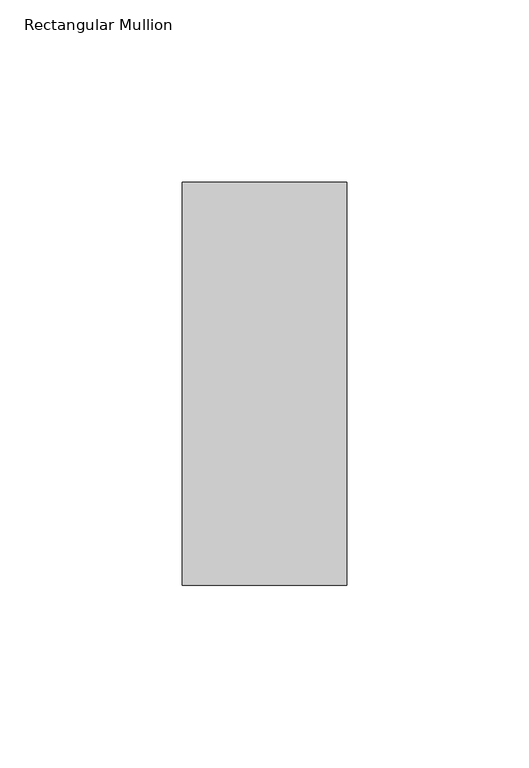
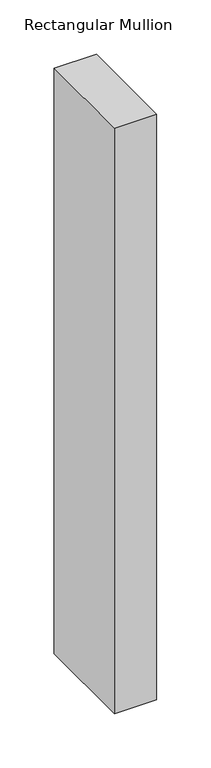
"""IFC4 building model written with IfcOpenShell, lengths in millimetres: member geometry, Rectangular Mullion."""

from ifc_helpers import new_model, si_unit, frame, origin, place, context, project, spatial, polyline, outline, extrude, source, transform, mapped, element, save


def rectangular_mullion_2d5ff103(model_context):
    return source(origin(), model_context, "Body", "SweptSolid", [
        extrude(outline(polyline([(22.5, -70.7), (-22.5, -70.7), (-22.5, 39.7), (22.5, 39.7), (22.5, -70.7)])), frame((0.0, 0.0, -656.4), z_axis=(0.0, 0.0, 1.0), x_axis=(1.0, 0.0, 0.0)), (0.0, 0.0, 1.0), 656.4),
    ])


if __name__ == "__main__":
    model = new_model("IFC4")
    model_context = context("Model", 3, world=origin())
    ifc_project = project(units=[si_unit("LENGTHUNIT", "METRE", prefix="MILLI")], contexts=[model_context])
    site = spatial("IfcSite", under=ifc_project)
    building = spatial("IfcBuilding", under=site)
    placement = place(None, origin())
    rectangular_mullion_shape = rectangular_mullion_2d5ff103(model_context)
    element("IfcMember", 1, ObjectType="Rectangular Mullion", at=placement, inside=building, context=model_context, shape_type="MappedRepresentation", body=[
        mapped(rectangular_mullion_shape, transform((0.0, 0.0, 0.0), x_axis=(1.0, 0.0, 0.0), y_axis=(0.0, 1.0, 0.0), z_axis=(0.0, 0.0, 1.0))),
    ])
    save(model, "model.ifc")
